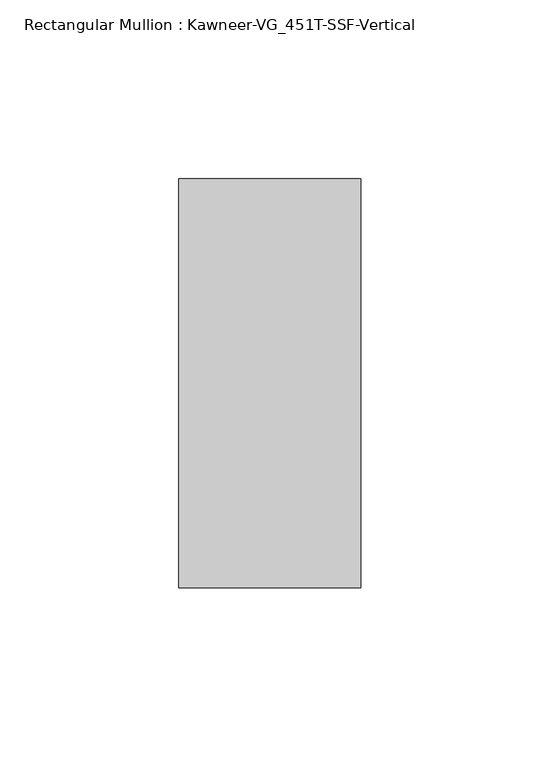
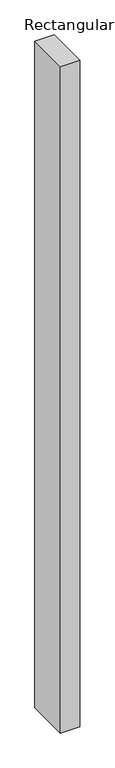
"""IFC4 building model written with IfcOpenShell, lengths in millimetres: member geometry, Rectangular Mullion : Kawneer-VG_451T-SSF-Vertical."""

from ifc_helpers import new_model, si_unit, frame, origin, place, context, project, spatial, polyline, outline, extrude, source, transform, mapped, element, save


def rectangular_mullion_kawneer_vg_451t_ssf_vertical_585972e0(model_context):
    return source(origin(), model_context, "Body", "SweptSolid", [
        extrude(outline(polyline([(25.4, 57.15), (25.4, -57.15), (-25.4, -57.15), (-25.4, 57.15), (25.4, 57.15)])), frame((0.0, 0.0, -1828.8), z_axis=(0.0, 0.0, 1.0), x_axis=(1.0, 0.0, 0.0)), (0.0, 0.0, 1.0), 1828.8),
    ])


if __name__ == "__main__":
    model = new_model("IFC4")
    model_context = context("Model", 3, world=origin())
    ifc_project = project(units=[si_unit("LENGTHUNIT", "METRE", prefix="MILLI")], contexts=[model_context])
    site = spatial("IfcSite", under=ifc_project)
    building = spatial("IfcBuilding", under=site)
    placement = place(None, origin())
    rectangular_mullion_kawneer_vg_451t_ssf_vertical_shape = rectangular_mullion_kawneer_vg_451t_ssf_vertical_585972e0(model_context)
    element("IfcMember", 1, ObjectType="Rectangular Mullion : Kawneer-VG_451T-SSF-Vertical", at=placement, inside=building, context=model_context, shape_type="MappedRepresentation", body=[
        mapped(rectangular_mullion_kawneer_vg_451t_ssf_vertical_shape, transform((0.0, 0.0, 0.0), x_axis=(1.0, 0.0, 0.0), y_axis=(0.0, 1.0, 0.0), z_axis=(0.0, 0.0, 1.0))),
    ])
    save(model, "model.ifc")
